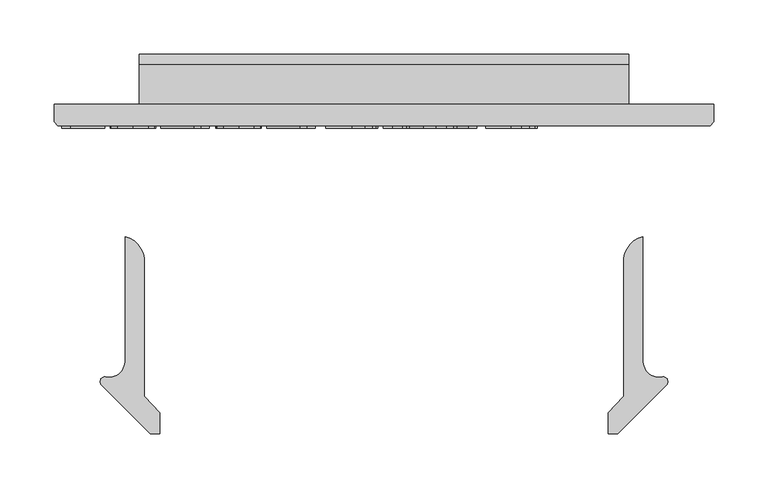
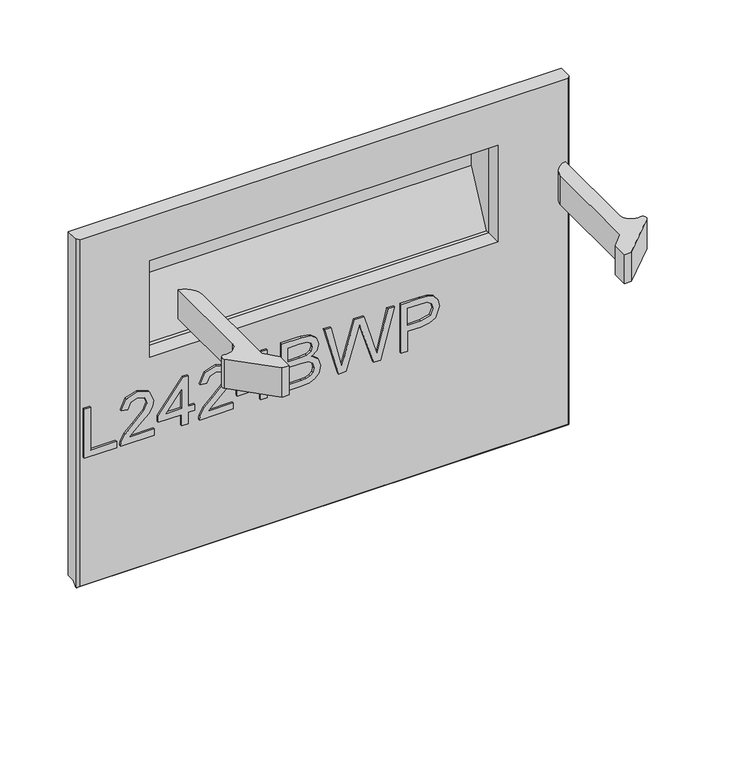
"""IFC4 building model written with IfcOpenShell, lengths in millimetres: furniture geometry."""

from ifc_helpers import new_model, si_unit, point, frame, frame_2d, origin, place, context, project, spatial, polyline, circle_curve, trimmed, segment, composite_curve, outline, extrude, faceted_brep, source, transform, mapped, element, save
from ifc_brep_helpers import plane_surface, cylinder_surface, advanced_brep


def furniture_b0cfa5af(model_context):
    return source(origin(), model_context, "Body", "SolidModel", [
        extrude(outline(polyline([(694.063255, -279.0852904), (694.063255, -239.2166923), (702.0369746, -239.2166923), (702.0369746, -271.1115708), (757.8530119, -271.1115708), (757.8530119, -279.0852904), (694.063255, -279.0852904)])), frame((0.0, -21.9273437, 0.0), z_axis=(0.0, 1.0, 0.0), x_axis=(0.0, 0.0, 1.0)), (0.0, 0.0, 1.0), 2.38125),
        extrude(outline(polyline([(702.0369746, -192.3710896), (702.0369746, -223.6897422), (706.0939159, -220.0922242), (713.763949, -210.9193319), (724.6888793, -199.4960441), (732.5068622, -194.7850086), (740.0678795, -193.3678045), (752.7448478, -198.6239185), (757.8530119, -212.8971881), (753.258779, -227.1237367), (739.9121428, -233.2364026), (738.9154279, -225.262683), (746.9670158, -221.9065569), (749.8792923, -213.0684985), (746.8969343, -204.5886346), (739.5850957, -201.3415241), (730.5523665, -204.7833055), (717.268025, -218.5504307), (708.0250512, -228.5331539), (699.5607609, -233.3765657), (694.063255, -234.2331176), (694.063255, -192.3710896), (702.0369746, -192.3710896)])), frame((0.0, -21.9273437, 0.0), z_axis=(0.0, 1.0, 0.0), x_axis=(0.0, 0.0, 1.0)), (0.0, 0.0, 1.0), 2.38125),
        extrude(outline(polyline([(694.063255, -158.4827812), (694.063255, -150.5090616), (709.0139793, -150.5090616), (709.0139793, -142.535342), (716.9876989, -142.535342), (716.9876989, -150.5090616), (756.856297, -150.5090616), (756.856297, -156.4893513), (716.9876989, -187.3875148), (709.0139793, -187.3875148), (709.0139793, -158.4827812), (694.063255, -158.4827812)]), holes=[polyline([(716.9876989, -158.4827812), (716.9876989, -177.576102), (741.6252466, -158.4827812), (716.9876989, -158.4827812)])]), frame((0.0, -21.9273437, 0.0), z_axis=(0.0, 1.0, 0.0), x_axis=(0.0, 0.0, 1.0)), (0.0, 0.0, 1.0), 2.38125),
        extrude(outline(polyline([(702.0369746, -94.6930242), (702.0369746, -126.0116769), (706.0939159, -122.4141589), (713.763949, -113.2412666), (724.6888793, -101.8179788), (732.5068622, -97.1069433), (740.0678795, -95.6897392), (752.7448478, -100.9458532), (757.8530119, -115.2191228), (753.258779, -129.4456714), (739.9121428, -135.5583373), (738.9154279, -127.5846177), (746.9670158, -124.2284915), (749.8792923, -115.3904332), (746.8969343, -106.9105692), (739.5850957, -103.6634588), (730.5523665, -107.1052401), (717.268025, -120.8723654), (708.0250512, -130.8550886), (699.5607609, -135.6985003), (694.063255, -136.5550522), (694.063255, -94.6930242), (702.0369746, -94.6930242)])), frame((0.0, -21.9273437, 0.0), z_axis=(0.0, 1.0, 0.0), x_axis=(0.0, 0.0, 1.0)), (0.0, 0.0, 1.0), 2.38125),
        extrude(outline(polyline([(694.063255, -60.8047159), (694.063255, -52.8309963), (709.0139793, -52.8309963), (709.0139793, -44.8572766), (716.9876989, -44.8572766), (716.9876989, -52.8309963), (756.856297, -52.8309963), (756.856297, -58.811286), (716.9876989, -89.7094495), (709.0139793, -89.7094495), (709.0139793, -60.8047159), (694.063255, -60.8047159)]), holes=[polyline([(716.9876989, -60.8047159), (716.9876989, -79.8980367), (741.6252466, -60.8047159), (716.9876989, -60.8047159)])]), frame((0.0, -21.9273437, 0.0), z_axis=(0.0, 1.0, 0.0), x_axis=(0.0, 0.0, 1.0)), (0.0, 0.0, 1.0), 2.38125),
        extrude(outline(polyline([(694.063255, -34.8901271), (694.063255, -10.7353632), (695.1611988, -0.5112481), (698.4005224, 6.4268224), (704.5054015, 11.0755632), (713.0787074, 12.9521906), (722.999136, 10.2034376), (728.9482783, 2.3465206), (734.5937341, 8.8173809), (742.0457357, 10.9587607), (750.2063394, 8.4124655), (755.9763846, 1.3731661), (757.8530119, -10.5484791), (757.8530119, -34.8901271), (694.063255, -34.8901271)]), holes=[polyline([(731.9384232, -26.9164075), (749.8792923, -26.9164075), (749.8792923, -13.4607556), (749.0461009, -3.21328), (745.9703009, 1.3809529), (740.7686947, 2.9850411), (735.5748754, 1.2641504), (732.6236647, -3.8518006), (731.9384232, -12.355025), (731.9384232, -26.9164075)]), polyline([(702.0369746, -26.9164075), (723.9647036, -26.9164075), (723.9647036, -11.3427364), (722.8979071, -1.4923894), (719.1991602, 3.4522512), (713.0008391, 4.978471), (707.6279226, 3.6780694), (704.0849124, 0.3608775), (702.348448, -4.6460578), (702.0369746, -10.5640528), (702.0369746, -26.9164075)])]), frame((0.0, -21.9273437, 0.0), z_axis=(0.0, 1.0, 0.0), x_axis=(0.0, 0.0, 1.0)), (0.0, 0.0, 1.0), 2.38125),
        extrude(outline(polyline([(694.063255, 35.331556), (694.063255, 44.9560848), (741.8744254, 58.8945204), (750.1440447, 61.2928658), (743.2760558, 63.4264587), (694.063255, 78.7198038), (694.063255, 87.2386019), (757.8530119, 104.6499662), (757.8530119, 96.4270678), (715.5549212, 86.2418869), (702.9869686, 83.2205947), (726.3786226, 76.3837531), (757.8530119, 67.1952871), (757.8530119, 55.3437234), (714.4336168, 42.6979025), (702.9869686, 39.3651368), (715.9286893, 36.2504026), (757.8530119, 26.1586637), (757.8530119, 17.9357654), (694.063255, 35.331556)])), frame((0.0, -21.9273437, 0.0), z_axis=(0.0, 1.0, 0.0), x_axis=(0.0, 0.0, 1.0)), (0.0, 0.0, 1.0), 2.38125),
        extrude(outline(polyline([(694.063255, 112.6236858), (694.063255, 120.5974054), (719.9778438, 120.5974054), (719.9778438, 136.8095971), (721.387261, 148.1374961), (725.6155127, 155.3344789), (739.3982117, 160.4660035), (748.096107, 158.5660157), (754.2632807, 153.5435067), (757.2456388, 145.7956053), (757.8530119, 136.2645186), (757.8530119, 112.6236858), (694.063255, 112.6236858)]), holes=[polyline([(727.9515634, 120.5974054), (749.8792923, 120.5974054), (749.8792923, 137.0899232), (749.3342138, 145.0636428), (745.7211221, 150.4443462), (739.1178856, 152.4922839), (730.8794135, 149.0193553), (727.9515634, 137.2768072), (727.9515634, 120.5974054)])]), frame((0.0, -21.9273437, 0.0), z_axis=(0.0, 1.0, 0.0), x_axis=(0.0, 0.0, 1.0)), (0.0, 0.0, 1.0), 2.38125),
        extrude(outline(composite_curve([segment(polyline([(-220.5642823, -238.3618073), (-220.5642823, -122.0390625)]), True, "CONTINUOUS"), segment(trimmed(circle_curve(frame_2d((-226.2037181, -144.8953097)), 23.5416922), [point((-220.5642823, -122.0390625))], [point((-202.8305174, -142.0837692))], False, "CARTESIAN"), True, "CONTINUOUS"), segment(polyline([(-202.8305174, -142.0837692), (-202.8305174, -269.3995294), (-188.5302638, -285.0128136), (-188.5302638, -304.0572038), (-197.3624851, -304.0572038), (-242.2212719, -259.1984169)]), True, "CONTINUOUS"), segment(trimmed(circle_curve(frame_2d((-239.0740027, -256.0511477)), 4.4509108), [point((-242.2212719, -259.1984169))], [point((-238.9835432, -251.6011563))], False, "CARTESIAN"), True, "CONTINUOUS"), segment(trimmed(circle_curve(frame_2d((-235.2976543, -237.2965695)), 14.7718306), [point((-238.9835432, -251.6011563))], [point((-220.5642823, -238.3618073))], True, "CARTESIAN"), True, "CONTINUOUS")], self_intersect=False)), frame((0.0, 0.0, 916.4521334), z_axis=(0.0, 0.0, 1.0), x_axis=(1.0, 0.0, 0.0)), (0.0, 0.0, 1.0), 38.1000023),
        extrude(outline(composite_curve([segment(trimmed(circle_curve(frame_2d((272.7730641, -237.2965695)), 14.7718306), [point((258.0396922, -238.3618073))], [point((276.4589531, -251.6011563))], True, "CARTESIAN"), True, "CONTINUOUS"), segment(trimmed(circle_curve(frame_2d((276.5494126, -256.0511477)), 4.4509108), [point((276.4589531, -251.6011563))], [point((279.6966818, -259.1984169))], False, "CARTESIAN"), True, "CONTINUOUS"), segment(polyline([(279.6966818, -259.1984169), (234.8378949, -304.0572038), (226.0056737, -304.0572038), (226.0056737, -285.0128136), (240.3059273, -269.3995294), (240.3059273, -142.0837692)]), True, "CONTINUOUS"), segment(trimmed(circle_curve(frame_2d((263.679128, -144.8953097)), 23.5416922), [point((240.3059273, -142.0837692))], [point((258.0396922, -122.0390625))], False, "CARTESIAN"), True, "CONTINUOUS"), segment(polyline([(258.0396922, -122.0390625), (258.0396922, -238.3618073)]), True, "CONTINUOUS")], self_intersect=False)), frame((0.0, 0.0, 916.4521334), z_axis=(0.0, 0.0, 1.0), x_axis=(1.0, 0.0, 0.0)), (0.0, 0.0, 1.0), 38.1000023),
        faceted_brep([(-286.0622951, 0.0, 530.15388), (323.5377049, 0.0, 530.15388), (323.5377049, -10.0210938, 530.15388), (-286.0622951, -10.0210937, 530.15388), (323.5377049, 0.0, 979.479655), (-286.0622951, 0.0, 979.479655), (-286.0622951, -15.9900937, 979.479655), (-282.8872951, -19.5460937, 979.479655), (320.3627049, -19.5460937, 979.479655), (323.5377049, -15.9900938, 979.479655), (-286.0622951, -15.9900937, 524.18488), (-282.8872951, -19.5460937, 526.97888), (320.3627049, -19.5460937, 526.97888), (-196.5178471, -19.5460937, 795.6631626), (-196.5178471, -19.5460937, 922.1235778), (233.9932569, -19.5460937, 922.1235778), (233.9932569, -19.5460937, 795.6631626), (323.5377049, -15.9900938, 524.18488), (-196.5178471, 0.0, 922.1235778), (-196.5178471, 0.0, 795.6631626), (233.9932569, 0.0, 795.6631626), (233.9932569, 0.0, 922.1235778), (323.1975263, -16.3710938, 523.80388), (-285.7221165, -16.3710937, 523.80388)], [[[0, 1, 2, 3]], [[4, 5, 6, 7, 8, 9]], [[5, 0, 3, 10, 6]], [[8, 7, 11, 12], [13, 14, 15, 16]], [[1, 4, 9, 17, 2]], [[1, 0, 5, 4], [18, 19, 20, 21]], [[13, 19, 18, 14]], [[15, 21, 20, 16]], [[14, 18, 21, 15]], [[19, 13, 16, 20]], [[3, 2, 17, 22, 23, 10]], [[12, 11, 23, 22]], [[7, 6, 10, 23, 11]], [[9, 8, 12, 22, 17]]]),
        advanced_brep(
        [(-207.3226381, 36.9472097, 931.6975997), (-207.3226381, 46.5212315, 922.1235778), (-207.3226381, 46.5212315, 861.4215943), (-207.3226381, 39.9742542, 837.6083949), (-207.3226381, 16.1316421, 795.6631626), (-207.3226381, 0.0, 785.5032268), (-207.3226381, 0.0, 931.6975997), (244.798048, 36.9472097, 931.6975997), (244.798048, 0.0, 931.6975997), (244.798048, 0.0, 785.5032268), (244.798048, 16.1316421, 795.6631626), (244.798048, 39.9742542, 837.6083949), (244.798048, 46.5212315, 861.4215943), (244.798048, 46.5212315, 922.1235778), (-196.5178471, 0.0, 795.6631626), (-196.5178471, 0.0, 922.1235778), (233.9932569, 0.0, 922.1235778), (233.9932569, 0.0, 795.6631626), (-196.5178471, 4.9248726, 795.6631626), (-196.5178471, 36.9472097, 861.4215943), (-196.5178471, 36.9472097, 922.1235778), (233.9932569, 36.9472097, 922.1235778), (233.9932569, 36.9472097, 861.4215943), (233.9932569, 4.9248726, 795.6631626)],
        [
            (0, 1, circle_curve(frame((-207.3226381, 36.9472097, 922.1235778), z_axis=(-1.0, 0.0, 0.0), x_axis=(0.0, -1.0, 0.0)), 9.5740219)),
            (1, 2),
            (2, 3, circle_curve(frame((-207.3226381, -3.6609663, 862.4116343), z_axis=(-1.0, 0.0, 0.0), x_axis=(0.0, -1.0, 0.0)), 50.1919631)),
            (3, 4),
            (4, 5, circle_curve(frame((-207.3226381, -1.4154997, 805.6373522), z_axis=(-1.0, 0.0, 0.0), x_axis=(0.0, -1.0, 0.0)), 20.1838213)),
            (5, 6),
            (6, 0),
            (7, 8),
            (8, 9),
            (9, 10, circle_curve(frame((244.798048, -1.4154997, 805.6373522), z_axis=(1.0, 0.0, 0.0), x_axis=(0.0, -1.0, 0.0)), 20.1838213)),
            (10, 11),
            (11, 12, circle_curve(frame((244.798048, -3.6609663, 862.4116343), z_axis=(1.0, 0.0, 0.0), x_axis=(0.0, -1.0, 0.0)), 50.1919631)),
            (12, 13),
            (13, 7, circle_curve(frame((244.798048, 36.9472097, 922.1235778), z_axis=(1.0, 0.0, 0.0), x_axis=(0.0, -1.0, 0.0)), 9.5740219)),
            (0, 7),
            (13, 1),
            (12, 2),
            (11, 3),
            (10, 4),
            (9, 5),
            (8, 6),
            (14, 15),
            (15, 16),
            (16, 17),
            (17, 14),
            (18, 19),
            (19, 20),
            (20, 15),
            (14, 18),
            (21, 22),
            (22, 23),
            (23, 17),
            (16, 21),
            (20, 21),
            (19, 22),
            (18, 23),
        ],
        [
            plane_surface(frame((-207.3226381, 27.3731878, 922.1235778), z_axis=(-1.0, 0.0, 0.0), x_axis=(0.0, 0.0, 1.0))),
            plane_surface(frame((244.798048, 27.3731878, 922.1235778), z_axis=(1.0, 0.0, 0.0), x_axis=(0.0, 0.0, -1.0))),
            cylinder_surface(frame((244.798048, 36.9472097, 922.1235778), z_axis=(-1.0, 0.0, 0.0), x_axis=(0.0, -1.0, 0.0)), 9.5740219),
            plane_surface(frame((-207.3226381, 46.5212315, 922.1235778), z_axis=(0.0, 1.0, 0.0), x_axis=(1.0, 0.0, 0.0))),
            cylinder_surface(frame((244.798048, -3.6609663, 862.4116343), z_axis=(-1.0, 0.0, 0.0), x_axis=(0.0, -1.0, 0.0)), 50.1919631),
            plane_surface(frame((-207.3226381, 39.9742542, 837.6083949), z_axis=(0.0, 0.8693666847317875, -0.49416755000552276), x_axis=(1.0, 0.0, 0.0))),
            cylinder_surface(frame((244.798048, -1.4154997, 805.6373522), z_axis=(-1.0, 0.0, 0.0), x_axis=(0.0, -1.0, 0.0)), 20.1838213),
            plane_surface(frame((-207.3226381, 0.0, 785.5032268), z_axis=(0.0, -1.0, 0.0), x_axis=(1.0, 0.0, 0.0))),
            plane_surface(frame((-207.3226381, 0.0, 931.6975997), z_axis=(0.0, 0.0, 1.0), x_axis=(1.0, 0.0, 0.0))),
            plane_surface(frame((-196.5178471, 36.9472097, 922.1235778), z_axis=(1.0, 0.0, 0.0), x_axis=(0.0, 1.0, 0.0))),
            plane_surface(frame((233.9932569, 36.9472097, 922.1235778), z_axis=(-1.0, 0.0, 0.0), x_axis=(0.0, -1.0, 0.0))),
            plane_surface(frame((-196.5178471, -19.5460937, 922.1235778), z_axis=(0.0, 0.0, -1.0), x_axis=(1.0, 0.0, 0.0))),
            plane_surface(frame((-196.5178471, 36.9472097, 922.1235778), z_axis=(0.0, -1.0, 0.0), x_axis=(1.0, 0.0, 0.0))),
            plane_surface(frame((-196.5178471, 36.9472097, 861.4215943), z_axis=(0.0, -0.8990642615843064, 0.43781668942819657), x_axis=(1.0, 0.0, 0.0))),
            plane_surface(frame((-196.5178471, 4.9248726, 795.6631626), z_axis=(0.0, 0.0, 1.0), x_axis=(1.0, 0.0, 0.0))),
        ],
        [
            (0, [[1, 2, 3, 4, 5, 6, 7]]),
            (1, [[8, 9, 10, 11, 12, 13, 14]]),
            (2, [[-1, 15, -14, 16]]),
            (3, [[-2, -16, -13, 17]]),
            (4, [[-3, -17, -12, 18]]),
            (5, [[-4, -18, -11, 19]]),
            (6, [[-5, -19, -10, 20]]),
            (7, [[-6, -20, -9, 21], [22, 23, 24, 25]]),
            (8, [[-7, -21, -8, -15]]),
            (9, [[26, 27, 28, -22, 29]]),
            (10, [[30, 31, 32, -24, 33]]),
            (11, [[34, -33, -23, -28]]),
            (12, [[-27, 35, -30, -34]]),
            (13, [[-26, 36, -31, -35]]),
            (14, [[-36, -29, -25, -32]]),
        ],
    ),
    ])


if __name__ == "__main__":
    model = new_model("IFC4")
    model_context = context("Model", 3, world=origin())
    ifc_project = project(units=[si_unit("LENGTHUNIT", "METRE", prefix="MILLI")], contexts=[model_context])
    site = spatial("IfcSite", under=ifc_project)
    building = spatial("IfcBuilding", under=site)
    placement = place(None, origin())
    furniture_shape = furniture_b0cfa5af(model_context)
    element("IfcFurniture", 1, at=placement, inside=building, context=model_context, shape_type="MappedRepresentation", body=[
        mapped(furniture_shape, transform((0.0, 0.0, 0.0), x_axis=(1.0, 0.0, 0.0), y_axis=(0.0, 1.0, 0.0), z_axis=(0.0, 0.0, 1.0))),
    ])
    save(model, "model.ifc")
